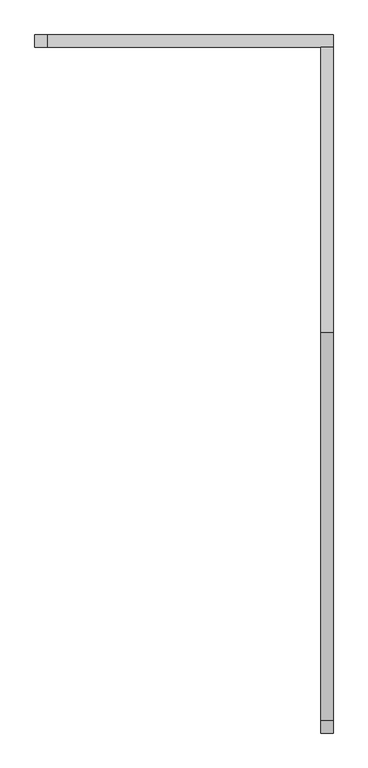
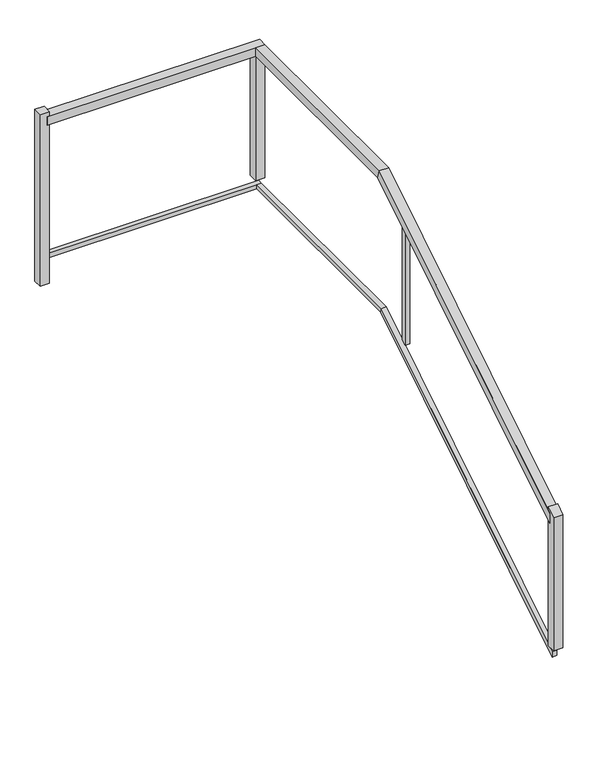
"""IFC4 building model written with IfcOpenShell, lengths in millimetres: railing geometry."""

from ifc_helpers import new_model, si_unit, frame, origin, place, context, project, spatial, polyline, outline, extrude, faceted_brep, source, transform, mapped, element, save


def railing_889fb42a(model_context):
    return source(origin(), model_context, "Body", "SolidModel", [
        faceted_brep([(-17048.4805784, 119452.2077715, 8272.2387915), (-17099.2805784, 119452.2077715, 8272.2387915), (-17099.2805784, 119452.2077715, 8212.4120652), (-17048.4805784, 119452.2077715, 8212.4120652), (-17048.4805784, 121076.9522468, 9282.9254283), (-17099.2805784, 121076.9522468, 9282.9254283), (-17099.2805784, 121091.4632961, 9232.1254283), (-17048.4805784, 121091.4632961, 9232.1254283), (-17048.4805784, 122258.2501734, 9282.9254283), (-17048.4805784, 122258.2501734, 9232.1254283), (-17099.2805784, 122258.2501734, 9232.1254283), (-17099.2805784, 122258.2501734, 9282.9254283)], [[[0, 1, 2, 3]], [[1, 0, 4, 5]], [[2, 1, 5, 6]], [[3, 2, 6, 7]], [[0, 3, 7, 4]], [[8, 9, 10, 11]], [[5, 4, 8, 11]], [[6, 5, 11, 10]], [[7, 6, 10, 9]], [[4, 7, 9, 8]]]),
        faceted_brep([(-17048.4805784, 122309.0501734, 9282.9254283), (-17048.4805784, 122258.2501734, 9282.9254283), (-17048.4805784, 122258.2501734, 9232.1254283), (-17048.4805784, 122309.0501734, 9232.1254283), (-18248.6629276, 122309.0501734, 9282.9254283), (-18248.6629276, 122309.0501734, 9232.1254283), (-18248.6629276, 122258.2501734, 9232.1254283), (-18248.6629276, 122258.2501734, 9282.9254283)], [[[0, 1, 2, 3]], [[4, 5, 6, 7]], [[1, 0, 4, 7]], [[2, 1, 7, 6]], [[3, 2, 6, 5]], [[0, 3, 5, 4]]]),
        faceted_brep([(-17061.1805784, 119452.2077715, 7459.6821099), (-17086.5805784, 119452.2077715, 7459.6821099), (-17086.5805784, 119452.2077715, 7429.7687468), (-17061.1805784, 119452.2077715, 7429.7687468), (-17061.1805784, 121080.5800091, 8472.6254283), (-17086.5805784, 121080.5800091, 8472.6254283), (-17086.5805784, 121087.8355338, 8447.2254283), (-17061.1805784, 121087.8355338, 8447.2254283), (-17061.1805784, 122270.9501734, 8472.6254283), (-17061.1805784, 122270.9501734, 8447.2254283), (-17086.5805784, 122270.9501734, 8447.2254283), (-17086.5805784, 122270.9501734, 8472.6254283)], [[[0, 1, 2, 3]], [[1, 0, 4, 5]], [[2, 1, 5, 6]], [[3, 2, 6, 7]], [[0, 3, 7, 4]], [[8, 9, 10, 11]], [[5, 4, 8, 11]], [[6, 5, 11, 10]], [[7, 6, 10, 9]], [[4, 7, 9, 8]]]),
        faceted_brep([(-17061.1805784, 122296.3501734, 8472.6254283), (-17061.1805784, 122270.9501734, 8472.6254283), (-17061.1805784, 122270.9501734, 8447.2254283), (-17061.1805784, 122296.3501734, 8447.2254283), (-18248.6629276, 122296.3501734, 8472.6254283), (-18248.6629276, 122296.3501734, 8447.2254283), (-18248.6629276, 122270.9501734, 8447.2254283), (-18248.6629276, 122270.9501734, 8472.6254283)], [[[0, 1, 2, 3]], [[4, 5, 6, 7]], [[1, 0, 4, 7]], [[2, 1, 7, 6]], [[3, 2, 6, 5]], [[0, 3, 5, 4]]]),
        extrude(outline(polyline([(120855.2289725, 9127.787146), (120880.6289725, 9143.5874401), (120880.6289725, 8412.1025372), (120855.2289725, 8396.3022431), (120855.2289725, 9127.787146)])), frame((-17086.5805784, 0.0, 0.0), z_axis=(1.0, 0.0, 0.0), x_axis=(0.0, 1.0, 0.0)), (0.0, 0.0, 1.0), 25.4),
        extrude(outline(polyline([(-17099.2805784, 122258.2501734), (-17099.2805784, 122309.0501734), (-17048.4805784, 122309.0501734), (-17048.4805784, 122258.2501734), (-17099.2805784, 122258.2501734)])), frame((0.0, 0.0, 8507.5254283), z_axis=(0.0, 0.0, 1.0), x_axis=(1.0, 0.0, 0.0)), (0.0, 0.0, 1.0), 724.6),
        extrude(outline(polyline([(-18235.9629276, 122258.2501734), (-18286.7629276, 122258.2501734), (-18286.7629276, 122309.0501734), (-18235.9629276, 122309.0501734), (-18235.9629276, 122258.2501734)])), frame((0.0, 0.0, 8307.5254283), z_axis=(0.0, 0.0, 1.0), x_axis=(1.0, 0.0, 0.0)), (0.0, 0.0, 1.0), 1000.9),
        extrude(outline(polyline([(119414.1077715, 8269.5249872), (119464.9077715, 8301.1255754), (119464.9077715, 7492.3254283), (119414.1077715, 7492.3254283), (119414.1077715, 8269.5249872)])), frame((-17099.2805784, 0.0, 0.0), z_axis=(1.0, 0.0, 0.0), x_axis=(0.0, 1.0, 0.0)), (0.0, 0.0, 1.0), 50.8),
    ])


if __name__ == "__main__":
    model = new_model("IFC4")
    model_context = context("Model", 3, world=origin())
    ifc_project = project(units=[si_unit("LENGTHUNIT", "METRE", prefix="MILLI")], contexts=[model_context])
    site = spatial("IfcSite", under=ifc_project)
    building = spatial("IfcBuilding", under=site)
    placement = place(None, origin())
    railing_shape = railing_889fb42a(model_context)
    element("IfcRailing", 1, at=placement, inside=building, context=model_context, shape_type="MappedRepresentation", body=[
        mapped(railing_shape, transform((0.0, 0.0, 0.0), x_axis=(1.0, 0.0, 0.0), y_axis=(0.0, 1.0, 0.0), z_axis=(0.0, 0.0, 1.0))),
    ])
    save(model, "model.ifc")
